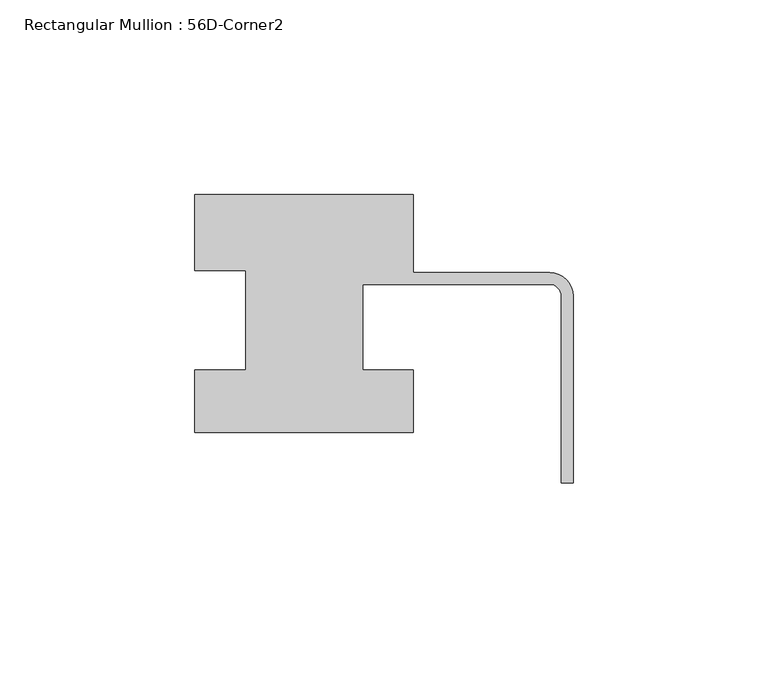
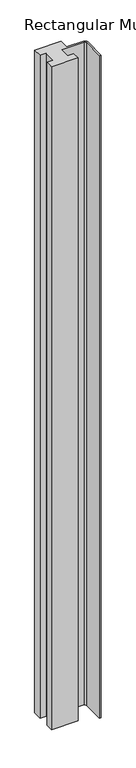
"""IFC4 building model written with IfcOpenShell, lengths in millimetres: member geometry, Rectangular Mullion : 56D-Corner2."""

from ifc_helpers import new_model, si_unit, point, frame, frame_2d, origin, place, context, project, spatial, polyline, circle_curve, trimmed, segment, composite_curve, outline, extrude, source, transform, mapped, element, save


def rectangular_mullion_56d_corner2_6e2b7886(model_context):
    return source(origin(), model_context, "Body", "SweptSolid", [
        extrude(outline(composite_curve([segment(polyline([(-97.0, 20.0), (-41.0, 20.0), (-41.0, 0.0), (-6.0, 0.0)]), True, "CONTINUOUS"), segment(trimmed(circle_curve(frame_2d((-6.0, -6.0)), 6.0), [point((-6.0, 0.0))], [point((0.0, -6.0))], False, "CARTESIAN"), True, "CONTINUOUS"), segment(polyline([(0.0, -6.0), (0.0, -54.0), (-3.0, -54.0), (-3.0, -6.0)]), True, "CONTINUOUS"), segment(trimmed(circle_curve(frame_2d((-6.0, -6.0)), 3.0), [point((-3.0, -6.0))], [point((-6.0, -3.0))], True, "CARTESIAN"), True, "CONTINUOUS"), segment(polyline([(-6.0, -3.0), (-54.0, -3.0), (-54.0, -25.0), (-41.0, -25.0), (-41.0, -41.0), (-97.0, -41.0), (-97.0, -25.0), (-84.0, -25.0), (-84.0, 0.5), (-97.0, 0.5), (-97.0, 20.0)]), True, "CONTINUOUS")], self_intersect=False)), frame((0.0, 0.0, -1477.534293), z_axis=(0.0, 0.0, 1.0), x_axis=(1.0, 0.0, 0.0)), (0.0, 0.0, 1.0), 1477.534293),
    ])


if __name__ == "__main__":
    model = new_model("IFC4")
    model_context = context("Model", 3, world=origin())
    ifc_project = project(units=[si_unit("LENGTHUNIT", "METRE", prefix="MILLI")], contexts=[model_context])
    site = spatial("IfcSite", under=ifc_project)
    building = spatial("IfcBuilding", under=site)
    placement = place(None, origin())
    rectangular_mullion_56d_corner2_shape = rectangular_mullion_56d_corner2_6e2b7886(model_context)
    element("IfcMember", 1, ObjectType="Rectangular Mullion : 56D-Corner2", at=placement, inside=building, context=model_context, shape_type="MappedRepresentation", body=[
        mapped(rectangular_mullion_56d_corner2_shape, transform((0.0, 0.0, 0.0), x_axis=(1.0, 0.0, 0.0), y_axis=(0.0, 1.0, 0.0), z_axis=(0.0, 0.0, 1.0))),
    ])
    save(model, "model.ifc")
